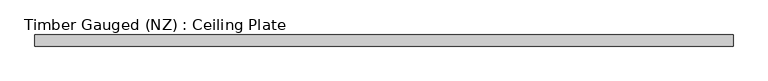
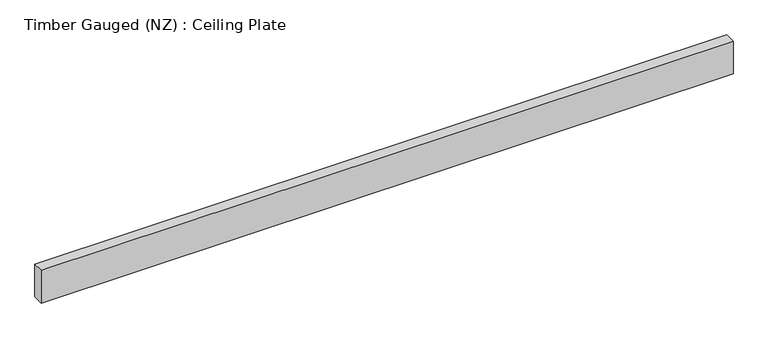
"""IFC4 building model written with IfcOpenShell, lengths in millimetres: beam geometry, Timber Gauged (NZ) : Ceiling Plate."""

from ifc_helpers import new_model, si_unit, frame, origin, place, context, project, spatial, polyline, outline, extrude, source, transform, mapped, element, save


def timber_gauged_nz_ceiling_plate_753b07f3(model_context):
    return source(origin(), model_context, "Body", "SweptSolid", [
        extrude(outline(polyline([(1100.0, 17.5), (1100.0, -17.5), (-1100.0, -17.5), (-1100.0, 17.5), (1100.0, 17.5)])), frame((0.0, 0.0, -55.0), z_axis=(0.0, 0.0, 1.0), x_axis=(1.0, 0.0, 0.0)), (0.0, 0.0, 1.0), 110.0),
    ])


if __name__ == "__main__":
    model = new_model("IFC4")
    model_context = context("Model", 3, world=origin())
    ifc_project = project(units=[si_unit("LENGTHUNIT", "METRE", prefix="MILLI")], contexts=[model_context])
    site = spatial("IfcSite", under=ifc_project)
    building = spatial("IfcBuilding", under=site)
    placement = place(None, origin())
    timber_gauged_nz_ceiling_plate_shape = timber_gauged_nz_ceiling_plate_753b07f3(model_context)
    element("IfcBeam", 1, ObjectType="Timber Gauged (NZ) : Ceiling Plate", at=placement, inside=building, context=model_context, shape_type="MappedRepresentation", body=[
        mapped(timber_gauged_nz_ceiling_plate_shape, transform((0.0, 0.0, 0.0), x_axis=(1.0, 0.0, 0.0), y_axis=(0.0, 1.0, 0.0), z_axis=(0.0, 0.0, 1.0))),
    ])
    save(model, "model.ifc")
